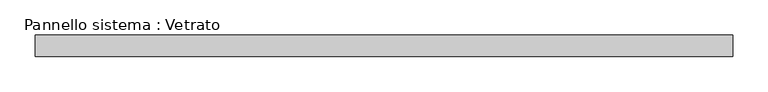
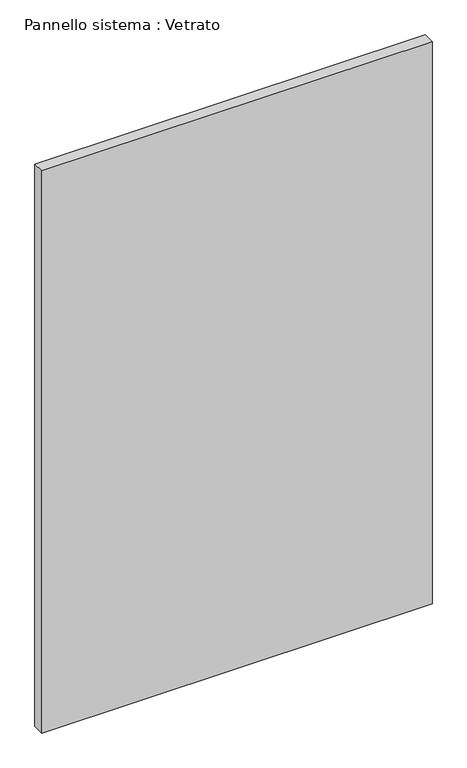
"""IFC4 building model written with IfcOpenShell, lengths in millimetres: plate geometry, Pannello sistema : Vetrato."""

from ifc_helpers import new_model, si_unit, origin, origin_with_axes, place, context, project, spatial, polyline, outline, extrude, source, transform, mapped, element, save


def pannello_sistema_vetrato_0583039b(model_context):
    return source(origin(), model_context, "Body", "SweptSolid", [
        extrude(outline(polyline([(492.5000002, -15.0), (-492.5000002, -15.0), (-492.5000002, 15.0), (492.5000002, 15.0), (492.5000002, -15.0)])), origin_with_axes(), (0.0, 0.0, 1.0), 1500.0),
    ])


if __name__ == "__main__":
    model = new_model("IFC4")
    model_context = context("Model", 3, world=origin())
    ifc_project = project(units=[si_unit("LENGTHUNIT", "METRE", prefix="MILLI")], contexts=[model_context])
    site = spatial("IfcSite", under=ifc_project)
    building = spatial("IfcBuilding", under=site)
    placement = place(None, origin())
    pannello_sistema_vetrato_shape = pannello_sistema_vetrato_0583039b(model_context)
    element("IfcPlate", 1, ObjectType="Pannello sistema : Vetrato", at=placement, inside=building, context=model_context, shape_type="MappedRepresentation", body=[
        mapped(pannello_sistema_vetrato_shape, transform((0.0, 0.0, 0.0), x_axis=(1.0, 0.0, 0.0), y_axis=(0.0, 1.0, 0.0), z_axis=(0.0, 0.0, 1.0))),
    ])
    save(model, "model.ifc")
